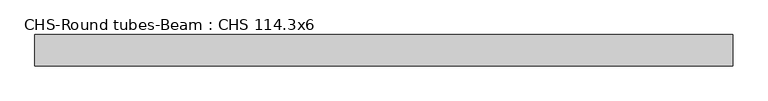
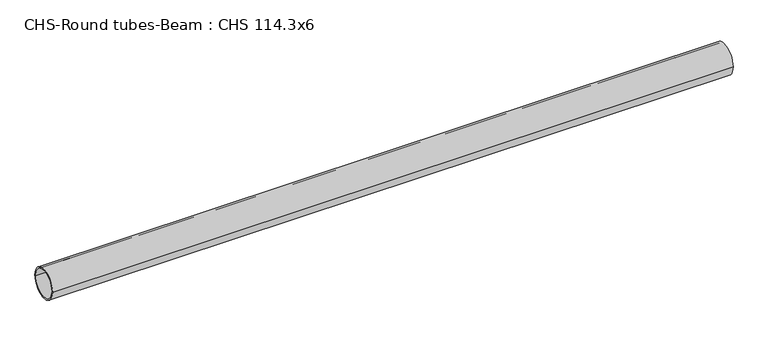
"""IFC4 building model written with IfcOpenShell, lengths in millimetres: beam geometry, CHS-Round tubes-Beam : CHS 114.3x6."""

import ifcopenshell
import ifcopenshell.guid

model = None  # the IFC model being written
_history = None  # IfcOwnerHistory: only IFC2X3 demands one
_inside = {}  # id of a spatial element -> (the spatial element, [elements in it])
_under = {}  # id of a project, library or spatial element -> (it, [spatial elements below it])
_declared = {}  # id of a project -> (the project, [libraries it declares])
_typed = {}  # id of a type object -> (the type object, [elements of that type])
_made_of = {}  # id of a material, layer set ... -> (it, [elements and type objects made of it])


def new_model(schema):
    """Start an empty IFC model of exactly this schema.

    Asked for "IFC4X3", IfcOpenShell would pick the latest addendum, in which some entities
    have other attributes; the version numbers below select the first issue.
    IFC2X3 requires an IfcOwnerHistory on every rooted entity: one is made here for all.
    """
    global model, _history
    if schema == "IFC4X3":
        model = ifcopenshell.file(schema_version=(4, 3, 0, 0))
    else:
        model = ifcopenshell.file(schema=schema)
    _inside.clear()
    _under.clear()
    _declared.clear()
    _typed.clear()
    _made_of.clear()
    _history = None
    if model.schema == "IFC2X3":
        org = make("IfcOrganization", Name="unknown")
        user = make(
            "IfcPersonAndOrganization",
            ThePerson=make("IfcPerson", FamilyName="unknown"),
            TheOrganization=org,
        )
        app = make(
            "IfcApplication",
            ApplicationDeveloper=org,
            Version="unknown",
            ApplicationFullName="unknown",
            ApplicationIdentifier="unknown",
        )
        _history = make(
            "IfcOwnerHistory",
            OwningUser=user,
            OwningApplication=app,
            ChangeAction="ADDED",
            CreationDate=0,
        )
    return model


def make(cls, **values):
    """One entity of the class cls with the attributes given. An attribute that is None is left unset."""
    return model.create_entity(
        cls, **{name: value for name, value in values.items() if value is not None}
    )


def rooted(cls, **values):
    """An entity with a GlobalId (a new one), such as an element, a storey or a relation."""
    return make(cls, GlobalId=ifcopenshell.guid.new(), OwnerHistory=_history, **values)


def si_unit(unit_type, name, prefix=None):
    """IfcSIUnit, for example si_unit("LENGTHUNIT", "METRE", prefix="MILLI")."""
    return make("IfcSIUnit", UnitType=unit_type, Prefix=prefix, Name=name)


def assignment(units):
    """IfcUnitAssignment: the units of a project."""
    return None if units is None else make("IfcUnitAssignment", Units=units)


def point(xyz):
    """IfcCartesianPoint."""
    return None if xyz is None else make("IfcCartesianPoint", Coordinates=xyz)


def direction(xyz):
    """IfcDirection."""
    return None if xyz is None else make("IfcDirection", DirectionRatios=xyz)


def frame(location, z_axis=None, x_axis=None):
    """IfcAxis2Placement3D, a coordinate frame: its origin and axes. An axis left out is left unset."""
    return make(
        "IfcAxis2Placement3D",
        Location=point(location),
        Axis=direction(z_axis),
        RefDirection=direction(x_axis),
    )


def frame_2d(location, x_axis=None):
    """IfcAxis2Placement2D, a coordinate frame in the plane: its origin and x axis."""
    return make(
        "IfcAxis2Placement2D", Location=point(location), RefDirection=direction(x_axis)
    )


def origin():
    """The frame at (0, 0, 0) with its axes left unset."""
    return frame((0.0, 0.0, 0.0))


def origin_2d():
    """The frame at (0, 0) in the plane with its x axis left unset."""
    return frame_2d((0.0, 0.0))


def place(relative_to, where):
    """IfcLocalPlacement: puts the frame where relative to a parent placement (None: the world)."""
    return make(
        "IfcLocalPlacement", PlacementRelTo=relative_to, RelativePlacement=where
    )


def context(
    kind, dimensions, precision=None, world=None, true_north=None, identifier=None
):
    """IfcGeometricRepresentationContext, for example the 3D "Model" context."""
    return make(
        "IfcGeometricRepresentationContext",
        ContextIdentifier=identifier,
        ContextType=kind,
        CoordinateSpaceDimension=dimensions,
        Precision=precision,
        WorldCoordinateSystem=world,
        TrueNorth=true_north,
    )


def project(units=None, contexts=None):
    """IfcProject with its units and contexts."""
    return rooted(
        "IfcProject",
        Name="project",
        RepresentationContexts=contexts,
        UnitsInContext=assignment(units),
    )


def spatial(cls, under=None, at=None, **own):
    """A site, building, storey or space (cls), placed at a placement, below another one or the project."""
    s = rooted(cls, ObjectPlacement=at, **own)
    if under is not None:
        _under.setdefault(under.id(), (under, []))[1].append(s)
    return s


def circle_curve(where, radius):
    """IfcCircle in the frame where."""
    return make("IfcCircle", Position=where, Radius=radius)


def trimmed(basis, trim1, trim2, sense, master):
    """IfcTrimmedCurve: the piece of a basis curve between two trims."""
    return make(
        "IfcTrimmedCurve",
        BasisCurve=basis,
        Trim1=trim1,
        Trim2=trim2,
        SenseAgreement=sense,
        MasterRepresentation=master,
    )


def segment(curve, same_sense, transition):
    """IfcCompositeCurveSegment."""
    return make(
        "IfcCompositeCurveSegment",
        Transition=transition,
        SameSense=same_sense,
        ParentCurve=curve,
    )


def composite_curve(segments, self_intersect=None):
    """IfcCompositeCurve: segments joined end to end."""
    return make("IfcCompositeCurve", Segments=segments, SelfIntersect=self_intersect)


def outline(outer, holes=None, kind="AREA"):
    """IfcArbitraryClosedProfileDef: a profile drawn as a closed curve; with holes, ...WithVoids."""
    if holes is None:
        return make("IfcArbitraryClosedProfileDef", ProfileType=kind, OuterCurve=outer)
    return make(
        "IfcArbitraryProfileDefWithVoids",
        ProfileType=kind,
        OuterCurve=outer,
        InnerCurves=holes,
    )


def extrude(swept, where, along, depth):
    """IfcExtrudedAreaSolid: the profile swept, set in the frame where, extruded along a direction by depth."""
    return make(
        "IfcExtrudedAreaSolid",
        SweptArea=swept,
        Position=where,
        ExtrudedDirection=direction(along),
        Depth=depth,
    )


def shape(context_of_items, identifier, shape_type, items):
    """IfcShapeRepresentation: the items that make up one representation, for example the "Body"."""
    return make(
        "IfcShapeRepresentation",
        ContextOfItems=context_of_items,
        RepresentationIdentifier=identifier,
        RepresentationType=shape_type,
        Items=items,
    )


def source(mapping_origin, context_of_items, identifier, shape_type, items):
    """IfcRepresentationMap: a shape defined once, which mapped items show again and again."""
    return make(
        "IfcRepresentationMap",
        MappingOrigin=mapping_origin,
        MappedRepresentation=shape(context_of_items, identifier, shape_type, items),
    )


def transform(
    local_origin,
    x_axis=None,
    y_axis=None,
    z_axis=None,
    scale=None,
    scale2=None,
    scale3=None,
    uniform=True,
):
    """IfcCartesianTransformationOperator3D, or its non-uniform kind. x_axis, y_axis, z_axis: its Axis1, 2, 3."""
    if uniform:
        return make(
            "IfcCartesianTransformationOperator3D",
            Axis1=direction(x_axis),
            Axis2=direction(y_axis),
            LocalOrigin=point(local_origin),
            Scale=scale,
            Axis3=direction(z_axis),
        )
    return make(
        "IfcCartesianTransformationOperator3DnonUniform",
        Axis1=direction(x_axis),
        Axis2=direction(y_axis),
        LocalOrigin=point(local_origin),
        Scale=scale,
        Axis3=direction(z_axis),
        Scale2=scale2,
        Scale3=scale3,
    )


def mapped(mapping_source, mapping_target):
    """IfcMappedItem: shows the shape of a source again, moved by a transform."""
    return make(
        "IfcMappedItem", MappingSource=mapping_source, MappingTarget=mapping_target
    )


def made_of(thing, what):
    """Note that an element or type object is made of a material, layer set ...; save() writes the relation."""
    if what is not None:
        _made_of.setdefault(what.id(), (what, []))[1].append(thing)
    return thing


def element(
    cls,
    number,
    at=None,
    inside=None,
    cuts=None,
    type_object=None,
    material=None,
    context=None,
    identifier="Body",
    shape_type=None,
    held_by="IfcProductDefinitionShape",
    body=None,
    shapes=None,
    **own,
):
    """One element of the class cls, such as IfcWall. Its Tag is "e" and its number.

    at: its placement. inside: the storey or other place that contains it. cuts: it is an
    opening in that element (IfcRelVoidsElement). A single representation is given by context,
    identifier, shape_type and body (its items); several are given by shapes. held_by: the class
    of the entity that holds the representations. save() writes the other relations.
    """
    e = rooted(cls, Tag="e%d" % number, ObjectPlacement=at, **own)
    if body is not None:
        shapes = [shape(context, identifier, shape_type, body)]
    if shapes is not None:
        e.Representation = make(held_by, Representations=shapes)
    if inside is not None:
        _inside.setdefault(inside.id(), (inside, []))[1].append(e)
    if cuts is not None:
        rooted(
            "IfcRelVoidsElement", RelatingBuildingElement=cuts, RelatedOpeningElement=e
        )
    if type_object is not None:
        _typed.setdefault(type_object.id(), (type_object, []))[1].append(e)
    return made_of(e, material)


def aggregate(whole, parts):
    """IfcRelAggregates: a whole, such as a stair, and the parts it consists of."""
    return rooted("IfcRelAggregates", RelatingObject=whole, RelatedObjects=parts)


def save(model, path):
    """Write the relations noted so far, then the file.

    IfcRelAggregates (storeys below a building ...), IfcRelContainedInSpatialStructure (elements
    in a storey), IfcRelDefinesByType, IfcRelAssociatesMaterial and IfcRelDeclares: one each for
    every whole, place, type object, material and project.
    """
    for whole, parts in _under.values():
        aggregate(whole, parts)
    for where, things in _inside.values():
        rooted(
            "IfcRelContainedInSpatialStructure",
            RelatedElements=things,
            RelatingStructure=where,
        )
    for kind, things in _typed.values():
        rooted("IfcRelDefinesByType", RelatedObjects=things, RelatingType=kind)
    for what, things in _made_of.values():
        rooted("IfcRelAssociatesMaterial", RelatedObjects=things, RelatingMaterial=what)
    for by, libraries in _declared.values():
        rooted("IfcRelDeclares", RelatingContext=by, RelatedDefinitions=libraries)
    model.write(path)


def chs_round_tubes_beam_chs_114_3x6_24cf1ee6(model_context):
    return source(origin(), model_context, "Body", "SweptSolid", [
        extrude(outline(composite_curve([segment(trimmed(circle_curve(origin_2d(), 57.15), [point((57.15, 0.0))], [point((-57.15, 0.0))], False, "CARTESIAN"), True, "CONTINUOUS"), segment(trimmed(circle_curve(origin_2d(), 57.15), [point((-57.15, 0.0))], [point((57.15, 0.0))], False, "CARTESIAN"), True, "CONTINUOUS")], self_intersect=False), holes=[composite_curve([segment(trimmed(circle_curve(origin_2d(), 51.15), [point((51.15, 0.0))], [point((-51.15, 0.0))], True, "CARTESIAN"), True, "CONTINUOUS"), segment(trimmed(circle_curve(origin_2d(), 51.15), [point((-51.15, 0.0))], [point((51.15, 0.0))], True, "CARTESIAN"), True, "CONTINUOUS")], self_intersect=False)]), frame((-1193.8866225, 0.0, 0.0), z_axis=(1.0, 0.0, 0.0), x_axis=(0.0, 1.0, 0.0)), (0.0, 0.0, 1.0), 2538.8112962),
    ])


if __name__ == "__main__":
    model = new_model("IFC4")
    model_context = context("Model", 3, world=origin())
    ifc_project = project(units=[si_unit("LENGTHUNIT", "METRE", prefix="MILLI")], contexts=[model_context])
    site = spatial("IfcSite", under=ifc_project)
    building = spatial("IfcBuilding", under=site)
    placement = place(None, origin())
    chs_round_tubes_beam_chs_114_3x6_shape = chs_round_tubes_beam_chs_114_3x6_24cf1ee6(model_context)
    element("IfcBeam", 1, ObjectType="CHS-Round tubes-Beam : CHS 114.3x6", at=placement, inside=building, context=model_context, shape_type="MappedRepresentation", body=[
        mapped(chs_round_tubes_beam_chs_114_3x6_shape, transform((0.0, 0.0, 0.0), x_axis=(1.0, 0.0, 0.0), y_axis=(0.0, 1.0, 0.0), z_axis=(0.0, 0.0, 1.0))),
    ])
    save(model, "model.ifc")
